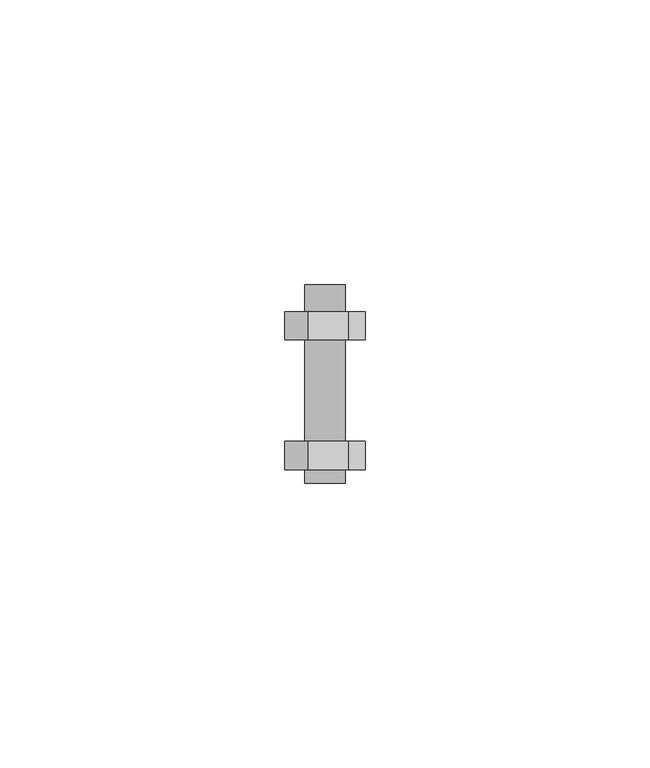
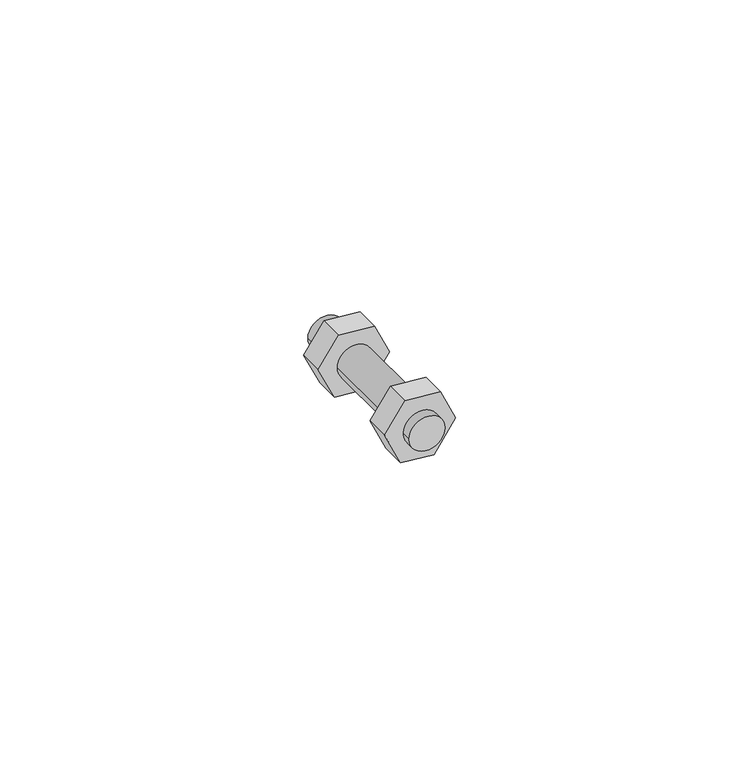
"""IFC4 building model written with IfcOpenShell, lengths in millimetres: fastener geometry."""

from ifc_helpers import new_model, si_unit, point, frame, frame_2d, origin, place, context, project, spatial, polyline, circle_curve, trimmed, segment, composite_curve, outline, extrude, source, transform, mapped, element, save


def fastener_4593674e(model_context):
    return source(origin(), model_context, "Body", "SweptSolid", [
        extrude(outline(polyline([(50.2132267, -1722.6763714), (49.6334598, -1716.0496056), (55.8779191, -1711.6771881), (62.3467617, -1714.693659), (62.9688426, -1721.8040764), (57.1220809, -1725.898023), (50.2132267, -1722.6763714)])), frame((0.0, 526.4359666, 0.0), z_axis=(0.0, 1.0, 0.0), x_axis=(0.0, 0.0, 1.0)), (0.0, 0.0, 1.0), 4.994876),
        extrude(outline(polyline([(50.2132267, -1722.6763714), (49.6334598, -1716.0496056), (55.8779191, -1711.6771881), (62.3467617, -1714.693659), (62.9688426, -1721.8040764), (57.1220809, -1725.898023), (50.2132267, -1722.6763714)])), frame((0.0, 503.6308426, 0.0), z_axis=(0.0, 1.0, 0.0), x_axis=(0.0, 0.0, 1.0)), (0.0, 0.0, 1.0), 5.0),
        extrude(outline(composite_curve([segment(trimmed(circle_curve(frame_2d((56.5, -1718.7876056)), 3.5454618), [point((56.5, -1715.2421438))], [point((56.5, -1722.3330674))], False, "CARTESIAN"), True, "CONTINUOUS"), segment(trimmed(circle_curve(frame_2d((56.5, -1718.7876056)), 3.5454618), [point((56.5, -1722.3330674))], [point((56.5, -1715.2421438))], False, "CARTESIAN"), True, "CONTINUOUS")], self_intersect=False)), frame((0.0, 501.2176259, 0.0), z_axis=(0.0, 1.0, 0.0), x_axis=(0.0, 0.0, 1.0)), (0.0, 0.0, 1.0), 34.9635271),
    ])


if __name__ == "__main__":
    model = new_model("IFC4")
    model_context = context("Model", 3, world=origin())
    ifc_project = project(units=[si_unit("LENGTHUNIT", "METRE", prefix="MILLI")], contexts=[model_context])
    site = spatial("IfcSite", under=ifc_project)
    building = spatial("IfcBuilding", under=site)
    placement = place(None, origin())
    fastener_shape = fastener_4593674e(model_context)
    element("IfcFastener", 1, at=placement, inside=building, context=model_context, shape_type="MappedRepresentation", body=[
        mapped(fastener_shape, transform((0.0, 0.0, 0.0), x_axis=(1.0, 0.0, 0.0), y_axis=(0.0, 1.0, 0.0), z_axis=(0.0, 0.0, 1.0))),
    ])
    save(model, "model.ifc")
